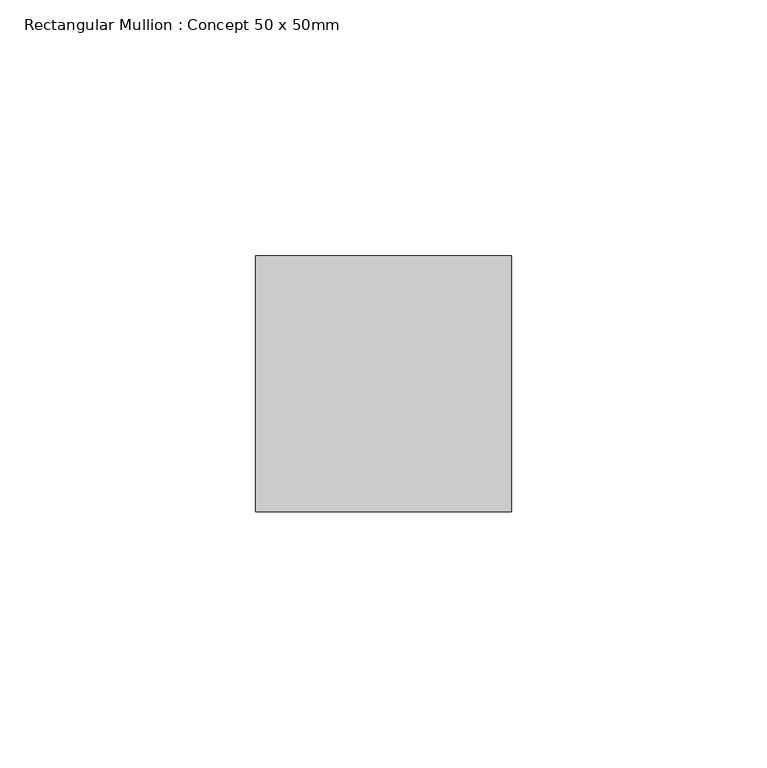
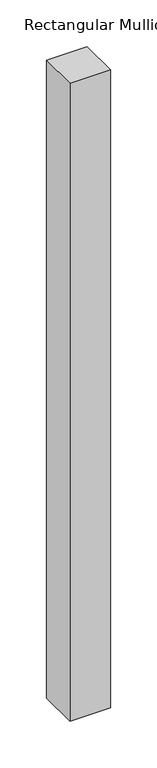
"""IFC4 building model written with IfcOpenShell, lengths in millimetres: member geometry, Rectangular Mullion : Concept 50 x 50mm."""

from ifc_helpers import new_model, si_unit, frame, origin, place, context, project, spatial, polyline, outline, extrude, source, transform, mapped, element, save


def rectangular_mullion_concept_50_x_50mm_b7e5ebbd(model_context):
    return source(origin(), model_context, "Body", "SweptSolid", [
        extrude(outline(polyline([(0.0, 50.0), (0.0, 0.0), (-50.0, 0.0), (-50.0, 50.0), (0.0, 50.0)])), frame((0.0, 0.0, -833.75), z_axis=(0.0, 0.0, 1.0), x_axis=(1.0, 0.0, 0.0)), (0.0, 0.0, 1.0), 833.75),
    ])


if __name__ == "__main__":
    model = new_model("IFC4")
    model_context = context("Model", 3, world=origin())
    ifc_project = project(units=[si_unit("LENGTHUNIT", "METRE", prefix="MILLI")], contexts=[model_context])
    site = spatial("IfcSite", under=ifc_project)
    building = spatial("IfcBuilding", under=site)
    placement = place(None, origin())
    rectangular_mullion_concept_50_x_50mm_shape = rectangular_mullion_concept_50_x_50mm_b7e5ebbd(model_context)
    element("IfcMember", 1, ObjectType="Rectangular Mullion : Concept 50 x 50mm", at=placement, inside=building, context=model_context, shape_type="MappedRepresentation", body=[
        mapped(rectangular_mullion_concept_50_x_50mm_shape, transform((0.0, 0.0, 0.0), x_axis=(1.0, 0.0, 0.0), y_axis=(0.0, 1.0, 0.0), z_axis=(0.0, 0.0, 1.0))),
    ])
    save(model, "model.ifc")
